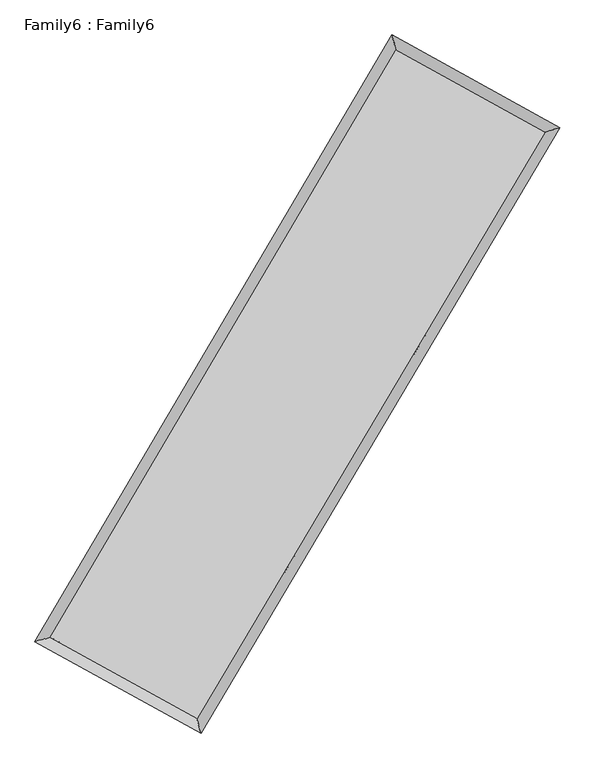
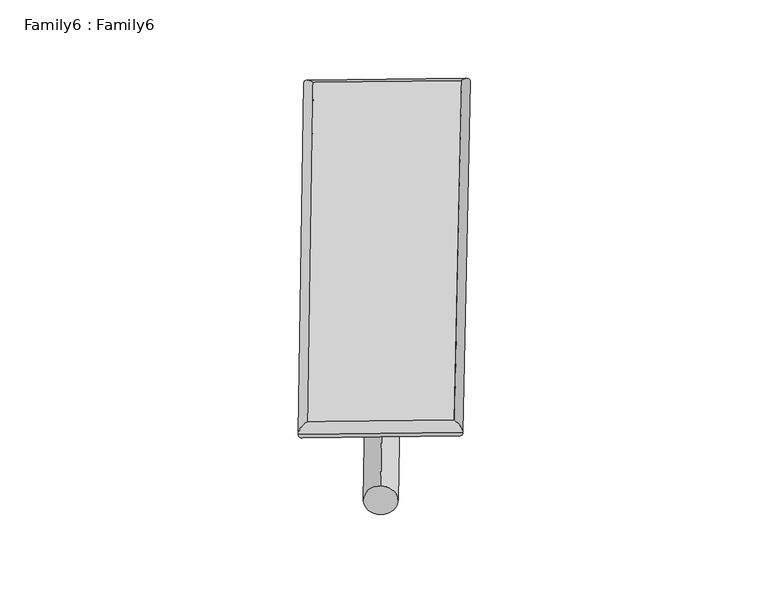
"""IFC4 building model written with IfcOpenShell, lengths in millimetres: plate geometry, Family6 : Family6."""

from ifc_helpers import new_model, si_unit, point, frame, origin, origin_2d, place, context, project, spatial, circle_curve, ellipse_curve, trimmed, segment, composite_curve, outline, extrude, source, transform, mapped, element, save
from ifc_brep_helpers import plane_surface, cylinder_surface, spline_surface, advanced_brep


def family6_family6_80f0851b(model_context):
    return source(origin(), model_context, "Body", "SolidModel", [
        extrude(outline(composite_curve([segment(trimmed(circle_curve(origin_2d(), 76.2), [point((-75.4341514, -10.7763073))], [point((75.4341514, 10.7763073))], False, "CARTESIAN"), True, "CONTINUOUS"), segment(trimmed(circle_curve(origin_2d(), 76.2), [point((75.4341514, 10.7763073))], [point((-75.4341514, -10.7763073))], False, "CARTESIAN"), True, "CONTINUOUS")], self_intersect=False)), frame((9144.0, 9144.0, 0.0), z_axis=(0.67595789717619, 0.6851442803482087, 0.27140050912125896), x_axis=(-0.6771595905187769, 0.7227686157559359, -0.1380594692394933)), (0.0, 0.0, 1.0), 5610.8978837),
        extrude(outline(composite_curve([segment(trimmed(circle_curve(origin_2d(), 76.2), [point((-53.8815367, 53.8815368))], [point((53.8815367, -53.8815368))], False, "CARTESIAN"), True, "CONTINUOUS"), segment(trimmed(circle_curve(origin_2d(), 76.2), [point((53.8815367, -53.8815368))], [point((-53.8815367, 53.8815368))], False, "CARTESIAN"), True, "CONTINUOUS")], self_intersect=False)), frame((9144.0, 9144.0, 0.0), z_axis=(-0.6736252625100009, -0.6873781000342611, 0.2715517506878232), x_axis=(0.6405545587218144, -0.35971337960577215, 0.6784512818421786)), (0.0, 0.0, 1.0), 5607.432782),
        extrude(outline(composite_curve([segment(trimmed(circle_curve(origin_2d(), 76.2), [point((-53.8815367, -53.8815368))], [point((53.8815367, 53.8815368))], False, "CARTESIAN"), True, "CONTINUOUS"), segment(trimmed(circle_curve(origin_2d(), 76.2), [point((53.8815367, 53.8815368))], [point((-53.8815367, -53.8815368))], False, "CARTESIAN"), True, "CONTINUOUS")], self_intersect=False)), frame((9144.0, 9144.0, 0.0), z_axis=(0.27126785713506224, 0.9224157778864236, 0.2748870356920017), x_axis=(-0.8407082356251391, 0.36612856484994505, -0.3989480374096172)), (0.0, 0.0, 1.0), 5538.0698855),
        extrude(outline(composite_curve([segment(trimmed(circle_curve(origin_2d(), 76.2), [point((-75.4341514, 10.7763073))], [point((75.4341514, -10.7763073))], False, "CARTESIAN"), True, "CONTINUOUS"), segment(trimmed(circle_curve(origin_2d(), 76.2), [point((75.4341514, -10.7763073))], [point((-75.4341514, 10.7763073))], False, "CARTESIAN"), True, "CONTINUOUS")], self_intersect=False)), frame((9144.0, 9144.0, 0.0), z_axis=(-0.2743421254290598, -0.9214463213609349, 0.2750873953227716), x_axis=(0.8783855264773153, -0.1236955693578445, 0.4616690080527481)), (0.0, 0.0, 1.0), 5533.547055),
        advanced_brep(
        [(5155.7652133, 5231.7669091, 1522.6720913), (5577.6180272, 5347.3801074, 1522.7442863), (10702.3995757, 14047.3701561, 1522.3904031), (10590.2011253, 14457.4359268, 1522.2968255), (12725.3832737, 12930.8501947, 1522.793977), (13148.0781958, 13045.6989906, 1522.8071076), (7570.2120626, 4249.8065134, 1522.219816), (7681.617817, 3840.4603308, 1522.1982765)],
        [
            (0, 1, ellipse_curve(frame((5366.6916202, 5289.5735083, 1522.7081888), z_axis=(-0.26431402615794675, 0.9644366659591792, 0.00011370892333656316), x_axis=(-0.9644366551621784, -0.26431404198530917, 0.00015933919105720116)), 218.7042722, 152.4)),
            (1, 2),
            (2, 3, ellipse_curve(frame((10646.3003505, 14252.4030414, 1522.3436143), z_axis=(-0.9645471402294763, -0.26391060000525646, -9.736531323079383e-05), x_axis=(0.26391058414588725, -0.9645471377561836, 0.00015040654884623803)), 212.56907, 152.4)),
            (3, 0),
            (1, 0, ellipse_curve(frame((5366.6916202, 5289.5735083, 1522.7081888), z_axis=(-0.26431402615794675, 0.9644366659591792, 0.00011370892333656316), x_axis=(-0.9644366551621784, -0.26431404198530917, 0.00015933919105720116)), 218.7042722, 152.4)),
            (3, 2, ellipse_curve(frame((10646.3003505, 14252.4030414, 1522.3436143), z_axis=(-0.9645471402294763, -0.26391060000525646, -9.736531323079383e-05), x_axis=(0.26391058414588725, -0.9645471377561836, 0.00015040654884623803)), 212.56907, 152.4)),
            (2, 4),
            (4, 5, ellipse_curve(frame((12936.7307348, 12988.2745927, 1522.8005423), z_axis=(-0.26220007613754776, 0.9650135299103849, -8.463665234496179e-05), x_axis=(-0.9650135172530265, -0.2622000868356823, -0.00016119027037497568)), 219.0098438, 152.4)),
            (5, 3),
            (5, 4, ellipse_curve(frame((12936.7307348, 12988.2745927, 1522.8005423), z_axis=(-0.26220007613754776, 0.9650135299103849, -8.463665234496179e-05), x_axis=(-0.9650135172530265, -0.2622000868356823, -0.00016119027037497568)), 219.0098438, 152.4)),
            (4, 6),
            (6, 7, ellipse_curve(frame((7625.9149398, 4045.1334221, 1522.2090463), z_axis=(0.9649037634925055, 0.2626037283706752, -9.509899854942471e-05), x_axis=(-0.2626037087882521, 0.9649037567209041, 0.0001799903921401669)), 212.1176222, 152.4)),
            (7, 5),
            (7, 6, ellipse_curve(frame((7625.9149398, 4045.1334221, 1522.2090463), z_axis=(0.9649037634925055, 0.2626037283706752, -9.509899854942471e-05), x_axis=(-0.2626037087882521, 0.9649037567209041, 0.0001799903921401669)), 212.1176222, 152.4)),
            (6, 1),
            (0, 7),
        ],
        [
            cylinder_surface(frame((5366.6916202, 5289.5735083, 1522.7081888), z_axis=(-0.5075454040195533, -0.8616250121893442, 3.504769656350019e-05), x_axis=(-0.8616249854810795, 0.5075453771849546, -0.0002729338963681435)), 152.4),
            cylinder_surface(frame((10646.3003505, 14252.4030414, 1522.3436143), z_axis=(-0.87550608263746, 0.48320706613128384, -0.000174658541483571), x_axis=(0.4832070899318862, 0.8755060761758943, -0.00013718107433992218)), 152.4),
            cylinder_surface(frame((12936.7307348, 12988.2745927, 1522.8005423), z_axis=(0.5105974473963535, 0.8598198901388244, 5.686816646333567e-05), x_axis=(0.8598198918776961, -0.5105974473963535, -1.5612662703657096e-05)), 152.4),
            cylinder_surface(frame((7625.9149398, 4045.1334221, 1522.2090463), z_axis=(0.8759100196884985, -0.4824744552403403, -0.00019351958869824644), x_axis=(-0.48247444121217414, -0.875910041021621, 0.00011668120085572798)), 152.4),
        ],
        [
            (0, [[1, 2, 3, 4]]),
            (0, [[5, -4, 6, -2]]),
            (1, [[-3, 7, 8, 9]]),
            (1, [[-6, -9, 10, -7]]),
            (2, [[-8, 11, 12, 13]]),
            (2, [[-10, -13, 14, -11]]),
            (3, [[-12, 15, -1, 16]]),
            (3, [[-14, -16, -5, -15]]),
        ],
    ),
        extrude(outline(composite_curve([segment(trimmed(circle_curve(origin_2d(), 304.8), [point((0.0, -304.8))], [point((0.0, 304.8))], False, "CARTESIAN"), True, "CONTINUOUS"), segment(trimmed(circle_curve(origin_2d(), 304.8), [point((0.0, 304.8))], [point((0.0, -304.8))], False, "CARTESIAN"), True, "CONTINUOUS")], self_intersect=False)), frame((6483.4984533, 4644.6979905, 9e-07), z_axis=(0.5089878027502099, 0.8607737313902611, -1.811757008143428e-10), x_axis=(-0.8607737313902611, 0.5089878027502099, -4.9557998543070144e-11)), (0.0, 0.0, 1.0), 10454.0876317),
        advanced_brep(
        [(5366.6916202, 5289.5735083, 1522.7081888), (7625.9149398, 4045.1334221, 1522.2090463), (7625.9150318, 4045.1314371, 1674.6090462), (5366.6917123, 5289.5715233, 1675.1081888), (12936.7307348, 12988.2745927, 1522.8005423), (12936.7308268, 12988.2726077, 1675.2005423), (10646.3003505, 14252.4030414, 1522.3436143), (10646.3004426, 14252.4010565, 1674.7436143)],
        [
            (0, 1),
            (1, 2),
            (2, 3),
            (3, 0),
            (1, 4),
            (4, 5),
            (5, 2),
            (4, 6),
            (6, 7),
            (7, 5),
            (6, 0),
            (3, 7),
        ],
        [
            plane_surface(frame((6496.30328, 4667.3534652, 1522.4586175), z_axis=(-0.4824744661292107, -0.8759100349977423, -1.1116972268984107e-05), x_axis=(0.8759100196884986, -0.48247445524034005, -0.0001935195886982465))),
            plane_surface(frame((10281.3228373, 8516.7040074, 1522.5047943), z_axis=(0.8598198917152372, -0.510597447858282, -7.1698613064396006e-06), x_axis=(0.5105974473963533, 0.8598198901388243, 5.6868166463335654e-05))),
            plane_surface(frame((11791.5155426, 13620.338817, 1522.5720783), z_axis=(0.48320707177264266, 0.8755060968750865, 1.1111268479609634e-05), x_axis=(-0.87550608263746, 0.48320706613128406, -0.00017465854148357102))),
            plane_surface(frame((8006.4959854, 9770.9882748, 1522.5259015), z_axis=(-0.8616250125697683, 0.5075454045337157, 7.131199938778368e-06), x_axis=(-0.5075454040195537, -0.861625012189344, 3.5047696563500116e-05))),
            spline_surface(1, 1, [[(7625.9150318, 4045.1314371, 1674.6090462), (5366.6917123, 5289.5715233, 1675.1081888)], [(12936.7308268, 12988.2726077, 1675.2005423), (10646.3004426, 14252.4010565, 1674.7436143)]], [2, 2], [2, 2], [0.0, 1.0], [0.0, 1.0]),
            spline_surface(1, 1, [[(10646.3003505, 14252.4030414, 1522.3436143), (5366.6916202, 5289.5735083, 1522.7081888)], [(12936.7307348, 12988.2745927, 1522.8005423), (7625.9149398, 4045.1334221, 1522.2090463)]], [2, 2], [2, 2], [0.0, 1.0], [0.0, 1.0]),
        ],
        [
            (0, [[1, 2, 3, 4]]),
            (1, [[5, 6, 7, -2]]),
            (2, [[8, 9, 10, -6]]),
            (3, [[11, -4, 12, -9]]),
            (4, [[-3, -7, -10, -12]]),
            (5, [[-11, -8, -5, -1]]),
        ],
    ),
    ])


if __name__ == "__main__":
    model = new_model("IFC4")
    model_context = context("Model", 3, world=origin())
    ifc_project = project(units=[si_unit("LENGTHUNIT", "METRE", prefix="MILLI")], contexts=[model_context])
    site = spatial("IfcSite", under=ifc_project)
    building = spatial("IfcBuilding", under=site)
    placement = place(None, origin())
    family6_family6_shape = family6_family6_80f0851b(model_context)
    element("IfcPlate", 1, ObjectType="Family6 : Family6", at=placement, inside=building, context=model_context, shape_type="MappedRepresentation", body=[
        mapped(family6_family6_shape, transform((0.0, 0.0, 0.0), x_axis=(1.0, 0.0, 0.0), y_axis=(0.0, 1.0, 0.0), z_axis=(0.0, 0.0, 1.0))),
    ])
    save(model, "model.ifc")
